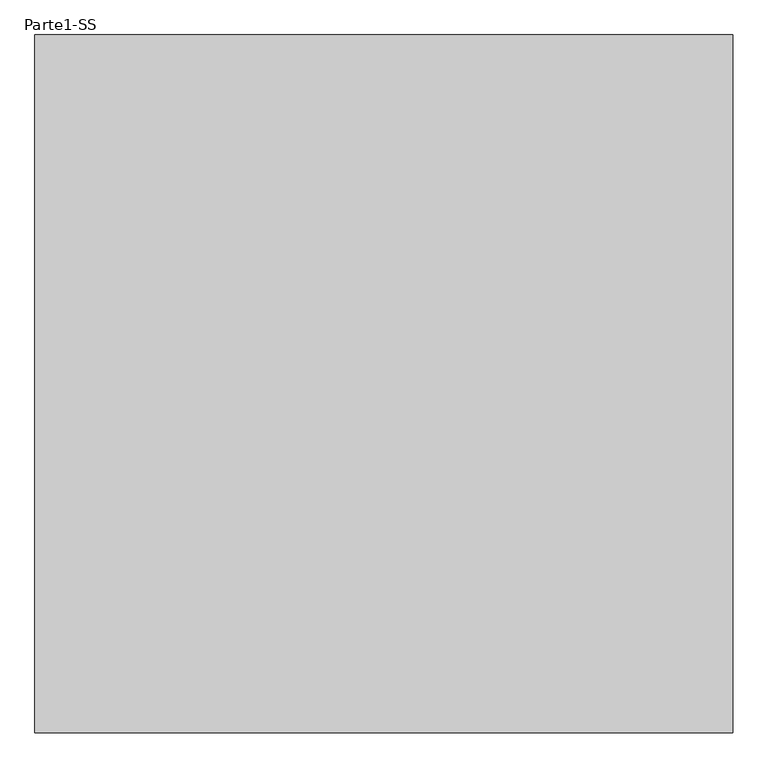
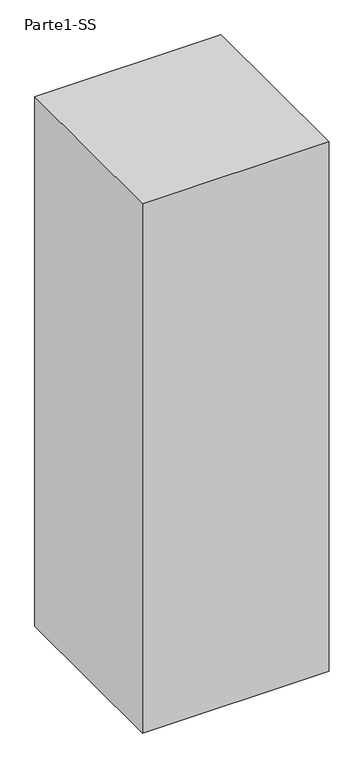
"""IFC4 building model written with IfcOpenShell, lengths in millimetres: proxy geometry, Parte1-SS."""

from ifc_helpers import new_model, si_unit, frame, origin, place, context, project, spatial, polyline, outline, extrude, source, transform, mapped, element, save


def parte1_ss_96a25f4a(model_context):
    return source(origin(), model_context, "Body", "SweptSolid", [
        extrude(outline(polyline([(4000.0, 4000.0), (4000.0, 0.0), (0.0, 0.0), (0.0, 4000.0), (4000.0, 4000.0)])), frame((0.0, 0.0, 5000.0), z_axis=(0.0, 0.0, 1.0), x_axis=(1.0, 0.0, 0.0)), (0.0, 0.0, 1.0), 12000.0),
    ])


if __name__ == "__main__":
    model = new_model("IFC4")
    model_context = context("Model", 3, world=origin())
    ifc_project = project(units=[si_unit("LENGTHUNIT", "METRE", prefix="MILLI")], contexts=[model_context])
    site = spatial("IfcSite", under=ifc_project)
    building = spatial("IfcBuilding", under=site)
    placement = place(None, origin())
    parte1_ss_shape = parte1_ss_96a25f4a(model_context)
    element("IfcBuildingElementProxy", 1, Name="Parte1-SS", ObjectType="Parte1-SS", at=placement, inside=building, context=model_context, shape_type="MappedRepresentation", body=[
        mapped(parte1_ss_shape, transform((0.0, 0.0, 0.0), x_axis=(1.0, 0.0, 0.0), y_axis=(0.0, 1.0, 0.0), z_axis=(0.0, 0.0, 1.0))),
    ])
    save(model, "model.ifc")
